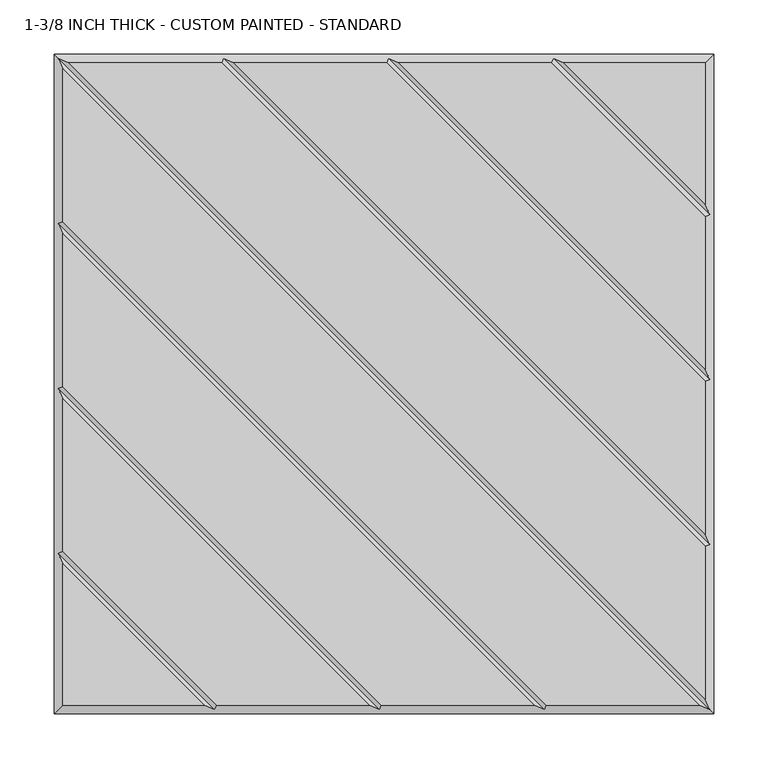
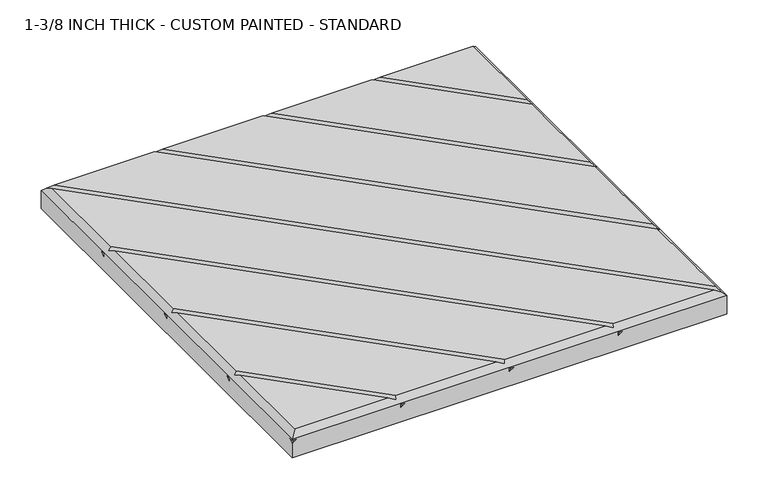
"""IFC4 building model written with IfcOpenShell, lengths in millimetres: proxy geometry, 1-3/8 INCH THICK - CUSTOM PAINTED - STANDARD."""

from ifc_helpers import new_model, si_unit, origin, place, context, project, spatial, faceted_brep, source, transform, mapped, element, save


def proxy_1_3_8_inch_thick_custom_painted_standard_b87ca568(model_context):
    return source(origin(), model_context, "Body", "Brep", [
        faceted_brep([(296.799, 154.7434623, 34.925), (154.743415, 296.799, 34.925), (13.6585378, 296.799, 34.925), (296.799, 13.658585, 34.925), (296.799, 2.3434632, 34.925), (2.3434141, 296.799, 34.925), (-138.7414628, 296.799, 34.925), (296.799, -138.7414144, 34.925), (296.799, -150.0565365, 34.925), (-150.0565862, 296.799, 34.925), (-291.1414386, 296.799, 34.925), (296.799, -291.1414386, 34.925), (291.1414386, -296.799, 34.925), (-296.799, 291.1414386, 34.925), (-296.799, 150.0565868, 34.925), (150.0565868, -296.799, 34.925), (138.741464, -296.799, 34.925), (-296.799, 138.741464, 34.925), (-296.799, -2.3434137, 34.925), (-2.3434382, -296.799, 34.925), (-13.6585605, -296.799, 34.925), (-296.799, -13.6585369, 34.925), (-296.799, -154.7434305, 34.925), (-154.743904, -296.799, 34.925), (296.799, 296.799, 34.925), (166.0585396, 296.799, 34.925), (296.799, 166.0585831, 34.925), (-296.799, -166.0585721, 34.925), (-296.799, -296.799, 34.925), (-166.0590079, -296.799, 34.925), (-304.8, 304.8, 0.0), (304.8, 304.8, 0.0), (304.8, -304.8, 0.0), (-304.8, -304.8, 0.0), (-304.8, -304.8, 21.3995359), (-304.8, -299.1424894, 25.4), (-304.8, -304.8, 25.4), (-304.8, -304.8, 26.924), (-304.8, 304.8, 26.924), (-304.8, -152.3999238, 21.3996078), (-304.8, -146.7425148, 25.4), (-304.8, -152.3999238, 25.4), (-304.8, 7.62e-05, 21.3996078), (-304.8, 5.6574852, 25.4), (-304.8, 7.62e-05, 25.4), (-304.8, 152.4000762, 21.3996078), (-304.8, 158.0574852, 25.4), (-304.8, 152.4000762, 25.4), (304.8, -304.8, 26.924), (-299.1423878, -304.8, 25.4), (-146.7424132, -304.8, 25.4), (-152.3999577, -304.8, 21.399512), (-152.3999238, -304.8, 25.4), (5.6575868, -304.8, 25.4), (4.23e-05, -304.8, 21.399512), (7.62e-05, -304.8, 25.4), (158.0575868, -304.8, 25.4), (152.4000423, -304.8, 21.399512), (152.4000762, -304.8, 25.4), (304.8, 304.8, 21.3995359), (304.8, 299.1423878, 25.4), (304.8, 304.8, 25.4), (304.8, 304.8, 26.924), (304.8, 152.4000762, 25.4), (304.8, 152.4000762, 21.3995), (304.8, 146.7424132, 25.4), (304.8, 7.62e-05, 25.4), (304.8, 7.62e-05, 21.3995), (304.8, -5.6575868, 25.4), (304.8, -152.3999238, 25.4), (304.8, -152.3999238, 21.3995), (304.8, -158.0575868, 25.4), (299.1424894, 304.8, 25.4), (152.4000762, 304.8, 21.3995), (152.4000762, 304.8, 25.4), (146.7425148, 304.8, 25.4), (7.62e-05, 304.8, 21.3995), (7.62e-05, 304.8, 25.4), (-5.6574852, 304.8, 25.4), (-152.3999238, 304.8, 21.3995), (-152.3999238, 304.8, 25.4), (-158.0574852, 304.8, 25.4), (-300.7995, 300.7995, 30.9245), (-148.399525, 300.7995, 30.9245), (4.0004753, 300.7995, 30.9245), (156.4004759, 300.7995, 30.9245), (-300.7995, -156.4004879, 30.9245), (-300.7995, -4.0004749, 30.9245), (-300.7995, 148.3995254, 30.9245), (300.7995, -300.7995, 30.9245), (148.3995254, -300.7995, 30.9245), (-4.0004997, -300.7995, 30.9245), (-156.4009693, -300.7995, 30.9245), (300.7995, 156.4005241, 30.9245), (300.7995, 4.0005247, 30.9245), (300.7995, -148.399475, 30.9245), (301.9712701, 155.2288061, 25.4), (-155.2287299, -301.9711939, 25.4), (301.9712701, 2.8288061, 25.4), (-2.8287299, -301.9711939, 25.4), (301.9712701, -149.5711939, 25.4), (149.5712701, -301.9711939, 25.4), (155.2288569, 301.9712193, 25.4), (-301.9711431, -155.2287807, 25.4), (2.8288569, 301.9712193, 25.4), (-301.9711431, -2.8287807, 25.4), (-149.5711431, 301.9712193, 25.4), (-301.9711431, 149.5712193, 25.4)], [[[0, 1, 2, 3]], [[4, 5, 6, 7]], [[8, 9, 10, 11]], [[12, 13, 14, 15]], [[16, 17, 18, 19]], [[20, 21, 22, 23]], [[24, 25, 26]], [[27, 28, 29]], [[30, 31, 32, 33]], [[30, 33, 34, 35, 36, 37, 38], [39, 40, 41], [42, 43, 44], [45, 46, 47]], [[33, 32, 48, 37, 36, 49, 34], [50, 51, 52], [53, 54, 55], [56, 57, 58]], [[32, 31, 59, 60, 61, 62, 48], [63, 64, 65], [66, 67, 68], [69, 70, 71]], [[31, 30, 38, 62, 61, 72, 59], [73, 74, 75], [76, 77, 78], [79, 80, 81]], [[24, 62, 38, 82, 10, 9, 83, 6, 5, 84, 2, 1, 85, 25]], [[37, 28, 27, 86, 22, 21, 87, 18, 17, 88, 14, 13, 82, 38]], [[28, 37, 48, 89, 12, 15, 90, 16, 19, 91, 20, 23, 92, 29]], [[62, 24, 26, 93, 0, 3, 94, 4, 7, 95, 8, 11, 89, 48]], [[34, 59, 72, 35]], [[59, 34, 49, 60]], [[64, 96, 97, 51]], [[64, 51, 50, 65]], [[67, 98, 99, 54]], [[67, 54, 53, 68]], [[70, 100, 101, 57]], [[70, 57, 56, 71]], [[102, 73, 39, 103]], [[39, 73, 75, 40]], [[104, 76, 42, 105]], [[42, 76, 78, 43]], [[106, 79, 45, 107]], [[45, 79, 81, 46]], [[93, 85, 1, 0]], [[85, 93, 26, 25]], [[94, 84, 5, 4]], [[84, 94, 3, 2]], [[95, 83, 9, 8]], [[83, 95, 7, 6]], [[82, 89, 11, 10]], [[89, 82, 13, 12]], [[88, 90, 15, 14]], [[90, 88, 17, 16]], [[87, 91, 19, 18]], [[91, 87, 21, 20]], [[86, 92, 23, 22]], [[92, 86, 27, 29]], [[60, 49, 36, 35, 72, 61]], [[96, 64, 63]], [[97, 96, 63, 65, 50, 52]], [[51, 97, 52]], [[98, 67, 66]], [[99, 98, 66, 68, 53, 55]], [[54, 99, 55]], [[100, 70, 69]], [[101, 100, 69, 71, 56, 58]], [[57, 101, 58]], [[73, 102, 74]], [[102, 103, 41, 40, 75, 74]], [[103, 39, 41]], [[76, 104, 77]], [[104, 105, 44, 43, 78, 77]], [[105, 42, 44]], [[79, 106, 80]], [[106, 107, 47, 46, 81, 80]], [[107, 45, 47]]]),
    ])


if __name__ == "__main__":
    model = new_model("IFC4")
    model_context = context("Model", 3, world=origin())
    ifc_project = project(units=[si_unit("LENGTHUNIT", "METRE", prefix="MILLI")], contexts=[model_context])
    site = spatial("IfcSite", under=ifc_project)
    building = spatial("IfcBuilding", under=site)
    placement = place(None, origin())
    proxy_1_3_8_inch_thick_custom_painted_standard_shape = proxy_1_3_8_inch_thick_custom_painted_standard_b87ca568(model_context)
    element("IfcBuildingElementProxy", 1, Name="1-3/8 INCH THICK - CUSTOM PAINTED - STANDARD", ObjectType="1-3/8 INCH THICK - CUSTOM PAINTED - STANDARD", at=placement, inside=building, context=model_context, shape_type="MappedRepresentation", body=[
        mapped(proxy_1_3_8_inch_thick_custom_painted_standard_shape, transform((0.0, 0.0, 0.0), x_axis=(1.0, 0.0, 0.0), y_axis=(0.0, 1.0, 0.0), z_axis=(0.0, 0.0, 1.0))),
    ])
    save(model, "model.ifc")
